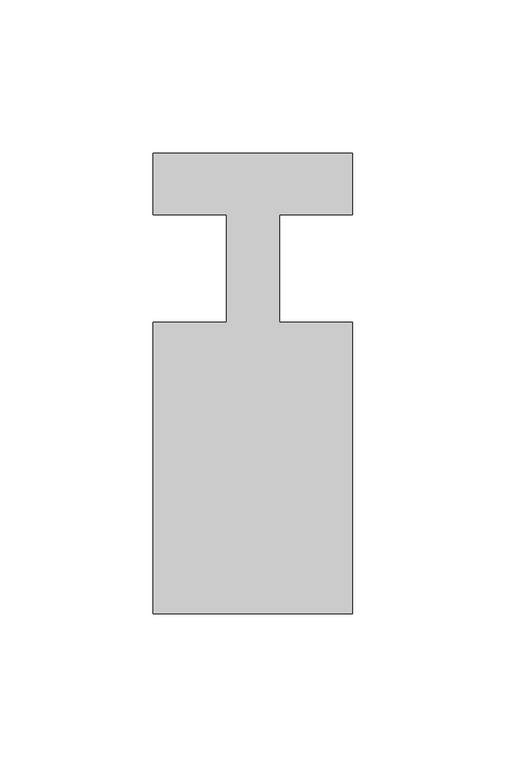
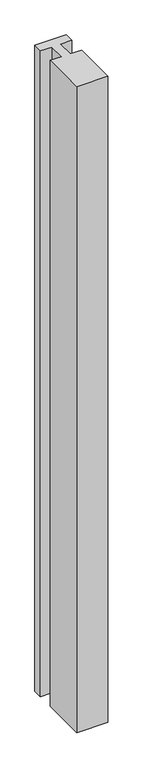
"""IFC4 building model written with IfcOpenShell, lengths in millimetres: member geometry."""

import ifcopenshell
import ifcopenshell.guid

model = None  # the IFC model being written
_history = None  # IfcOwnerHistory: only IFC2X3 demands one
_inside = {}  # id of a spatial element -> (the spatial element, [elements in it])
_under = {}  # id of a project, library or spatial element -> (it, [spatial elements below it])
_declared = {}  # id of a project -> (the project, [libraries it declares])
_typed = {}  # id of a type object -> (the type object, [elements of that type])
_made_of = {}  # id of a material, layer set ... -> (it, [elements and type objects made of it])


def new_model(schema):
    """Start an empty IFC model of exactly this schema.

    Asked for "IFC4X3", IfcOpenShell would pick the latest addendum, in which some entities
    have other attributes; the version numbers below select the first issue.
    IFC2X3 requires an IfcOwnerHistory on every rooted entity: one is made here for all.
    """
    global model, _history
    if schema == "IFC4X3":
        model = ifcopenshell.file(schema_version=(4, 3, 0, 0))
    else:
        model = ifcopenshell.file(schema=schema)
    _inside.clear()
    _under.clear()
    _declared.clear()
    _typed.clear()
    _made_of.clear()
    _history = None
    if model.schema == "IFC2X3":
        org = make("IfcOrganization", Name="unknown")
        user = make(
            "IfcPersonAndOrganization",
            ThePerson=make("IfcPerson", FamilyName="unknown"),
            TheOrganization=org,
        )
        app = make(
            "IfcApplication",
            ApplicationDeveloper=org,
            Version="unknown",
            ApplicationFullName="unknown",
            ApplicationIdentifier="unknown",
        )
        _history = make(
            "IfcOwnerHistory",
            OwningUser=user,
            OwningApplication=app,
            ChangeAction="ADDED",
            CreationDate=0,
        )
    return model


def make(cls, **values):
    """One entity of the class cls with the attributes given. An attribute that is None is left unset."""
    return model.create_entity(
        cls, **{name: value for name, value in values.items() if value is not None}
    )


def rooted(cls, **values):
    """An entity with a GlobalId (a new one), such as an element, a storey or a relation."""
    return make(cls, GlobalId=ifcopenshell.guid.new(), OwnerHistory=_history, **values)


def si_unit(unit_type, name, prefix=None):
    """IfcSIUnit, for example si_unit("LENGTHUNIT", "METRE", prefix="MILLI")."""
    return make("IfcSIUnit", UnitType=unit_type, Prefix=prefix, Name=name)


def assignment(units):
    """IfcUnitAssignment: the units of a project."""
    return None if units is None else make("IfcUnitAssignment", Units=units)


def point(xyz):
    """IfcCartesianPoint."""
    return None if xyz is None else make("IfcCartesianPoint", Coordinates=xyz)


def direction(xyz):
    """IfcDirection."""
    return None if xyz is None else make("IfcDirection", DirectionRatios=xyz)


def frame(location, z_axis=None, x_axis=None):
    """IfcAxis2Placement3D, a coordinate frame: its origin and axes. An axis left out is left unset."""
    return make(
        "IfcAxis2Placement3D",
        Location=point(location),
        Axis=direction(z_axis),
        RefDirection=direction(x_axis),
    )


def origin():
    """The frame at (0, 0, 0) with its axes left unset."""
    return frame((0.0, 0.0, 0.0))


def place(relative_to, where):
    """IfcLocalPlacement: puts the frame where relative to a parent placement (None: the world)."""
    return make(
        "IfcLocalPlacement", PlacementRelTo=relative_to, RelativePlacement=where
    )


def context(
    kind, dimensions, precision=None, world=None, true_north=None, identifier=None
):
    """IfcGeometricRepresentationContext, for example the 3D "Model" context."""
    return make(
        "IfcGeometricRepresentationContext",
        ContextIdentifier=identifier,
        ContextType=kind,
        CoordinateSpaceDimension=dimensions,
        Precision=precision,
        WorldCoordinateSystem=world,
        TrueNorth=true_north,
    )


def project(units=None, contexts=None):
    """IfcProject with its units and contexts."""
    return rooted(
        "IfcProject",
        Name="project",
        RepresentationContexts=contexts,
        UnitsInContext=assignment(units),
    )


def spatial(cls, under=None, at=None, **own):
    """A site, building, storey or space (cls), placed at a placement, below another one or the project."""
    s = rooted(cls, ObjectPlacement=at, **own)
    if under is not None:
        _under.setdefault(under.id(), (under, []))[1].append(s)
    return s


def polyline(points):
    """IfcPolyline through the points."""
    return make("IfcPolyline", Points=[point(p) for p in points])


def outline(outer, holes=None, kind="AREA"):
    """IfcArbitraryClosedProfileDef: a profile drawn as a closed curve; with holes, ...WithVoids."""
    if holes is None:
        return make("IfcArbitraryClosedProfileDef", ProfileType=kind, OuterCurve=outer)
    return make(
        "IfcArbitraryProfileDefWithVoids",
        ProfileType=kind,
        OuterCurve=outer,
        InnerCurves=holes,
    )


def extrude(swept, where, along, depth):
    """IfcExtrudedAreaSolid: the profile swept, set in the frame where, extruded along a direction by depth."""
    return make(
        "IfcExtrudedAreaSolid",
        SweptArea=swept,
        Position=where,
        ExtrudedDirection=direction(along),
        Depth=depth,
    )


def shape(context_of_items, identifier, shape_type, items):
    """IfcShapeRepresentation: the items that make up one representation, for example the "Body"."""
    return make(
        "IfcShapeRepresentation",
        ContextOfItems=context_of_items,
        RepresentationIdentifier=identifier,
        RepresentationType=shape_type,
        Items=items,
    )


def source(mapping_origin, context_of_items, identifier, shape_type, items):
    """IfcRepresentationMap: a shape defined once, which mapped items show again and again."""
    return make(
        "IfcRepresentationMap",
        MappingOrigin=mapping_origin,
        MappedRepresentation=shape(context_of_items, identifier, shape_type, items),
    )


def transform(
    local_origin,
    x_axis=None,
    y_axis=None,
    z_axis=None,
    scale=None,
    scale2=None,
    scale3=None,
    uniform=True,
):
    """IfcCartesianTransformationOperator3D, or its non-uniform kind. x_axis, y_axis, z_axis: its Axis1, 2, 3."""
    if uniform:
        return make(
            "IfcCartesianTransformationOperator3D",
            Axis1=direction(x_axis),
            Axis2=direction(y_axis),
            LocalOrigin=point(local_origin),
            Scale=scale,
            Axis3=direction(z_axis),
        )
    return make(
        "IfcCartesianTransformationOperator3DnonUniform",
        Axis1=direction(x_axis),
        Axis2=direction(y_axis),
        LocalOrigin=point(local_origin),
        Scale=scale,
        Axis3=direction(z_axis),
        Scale2=scale2,
        Scale3=scale3,
    )


def mapped(mapping_source, mapping_target):
    """IfcMappedItem: shows the shape of a source again, moved by a transform."""
    return make(
        "IfcMappedItem", MappingSource=mapping_source, MappingTarget=mapping_target
    )


def made_of(thing, what):
    """Note that an element or type object is made of a material, layer set ...; save() writes the relation."""
    if what is not None:
        _made_of.setdefault(what.id(), (what, []))[1].append(thing)
    return thing


def element(
    cls,
    number,
    at=None,
    inside=None,
    cuts=None,
    type_object=None,
    material=None,
    context=None,
    identifier="Body",
    shape_type=None,
    held_by="IfcProductDefinitionShape",
    body=None,
    shapes=None,
    **own,
):
    """One element of the class cls, such as IfcWall. Its Tag is "e" and its number.

    at: its placement. inside: the storey or other place that contains it. cuts: it is an
    opening in that element (IfcRelVoidsElement). A single representation is given by context,
    identifier, shape_type and body (its items); several are given by shapes. held_by: the class
    of the entity that holds the representations. save() writes the other relations.
    """
    e = rooted(cls, Tag="e%d" % number, ObjectPlacement=at, **own)
    if body is not None:
        shapes = [shape(context, identifier, shape_type, body)]
    if shapes is not None:
        e.Representation = make(held_by, Representations=shapes)
    if inside is not None:
        _inside.setdefault(inside.id(), (inside, []))[1].append(e)
    if cuts is not None:
        rooted(
            "IfcRelVoidsElement", RelatingBuildingElement=cuts, RelatedOpeningElement=e
        )
    if type_object is not None:
        _typed.setdefault(type_object.id(), (type_object, []))[1].append(e)
    return made_of(e, material)


def aggregate(whole, parts):
    """IfcRelAggregates: a whole, such as a stair, and the parts it consists of."""
    return rooted("IfcRelAggregates", RelatingObject=whole, RelatedObjects=parts)


def save(model, path):
    """Write the relations noted so far, then the file.

    IfcRelAggregates (storeys below a building ...), IfcRelContainedInSpatialStructure (elements
    in a storey), IfcRelDefinesByType, IfcRelAssociatesMaterial and IfcRelDeclares: one each for
    every whole, place, type object, material and project.
    """
    for whole, parts in _under.values():
        aggregate(whole, parts)
    for where, things in _inside.values():
        rooted(
            "IfcRelContainedInSpatialStructure",
            RelatedElements=things,
            RelatingStructure=where,
        )
    for kind, things in _typed.values():
        rooted("IfcRelDefinesByType", RelatedObjects=things, RelatingType=kind)
    for what, things in _made_of.values():
        rooted("IfcRelAssociatesMaterial", RelatedObjects=things, RelatingMaterial=what)
    for by, libraries in _declared.values():
        rooted("IfcRelDeclares", RelatingContext=by, RelatedDefinitions=libraries)
    model.write(path)


def member_c2f35e21(model_context):
    return source(origin(), model_context, "Body", "SweptSolid", [
        extrude(outline(polyline([(-65.0, 37.0), (0.0, 37.0), (0.0, 17.0), (-23.8125, 17.0), (-23.8125, -18.0), (0.0, -18.0), (0.0, -113.0), (-65.0, -113.0), (-65.0, -18.0), (-41.1875, -18.0), (-41.1875, 17.0), (-65.0, 17.0), (-65.0, 37.0)])), frame((0.0, 0.0, -1418.7435565), z_axis=(0.0, 0.0, 1.0), x_axis=(1.0, 0.0, 0.0)), (0.0, 0.0, 1.0), 1418.7435565),
    ])


if __name__ == "__main__":
    model = new_model("IFC4")
    model_context = context("Model", 3, world=origin())
    ifc_project = project(units=[si_unit("LENGTHUNIT", "METRE", prefix="MILLI")], contexts=[model_context])
    site = spatial("IfcSite", under=ifc_project)
    building = spatial("IfcBuilding", under=site)
    placement = place(None, origin())
    member_shape = member_c2f35e21(model_context)
    element("IfcMember", 1, at=placement, inside=building, context=model_context, shape_type="MappedRepresentation", body=[
        mapped(member_shape, transform((0.0, 0.0, 0.0), x_axis=(1.0, 0.0, 0.0), y_axis=(0.0, 1.0, 0.0), z_axis=(0.0, 0.0, 1.0))),
    ])
    save(model, "model.ifc")
